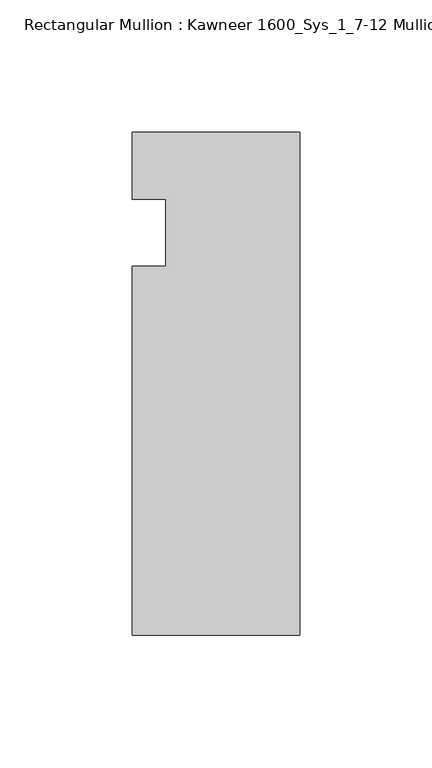
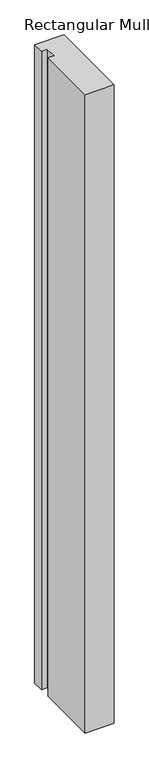
"""IFC4 building model written with IfcOpenShell, lengths in millimetres: member geometry, Rectangular Mullion : Kawneer 1600_Sys_1_7-12 Mullion_Sill."""

from ifc_helpers import new_model, si_unit, frame, origin, place, context, project, spatial, polyline, outline, extrude, source, transform, mapped, element, save


def rectangular_mullion_kawneer_1600_sys_1_7_12_mullion_sill_26cfcfc0(model_context):
    return source(origin(), model_context, "Body", "SweptSolid", [
        extrude(outline(polyline([(-63.5, -152.4), (-63.5, -12.7), (-50.7982296, -12.7), (-50.7982296, 12.7), (-63.5, 12.7), (-63.5, 38.1), (0.0, 38.1), (0.0, -152.4), (-63.5, -152.4)])), frame((0.0, 0.0, -1473.2), z_axis=(0.0, 0.0, 1.0), x_axis=(1.0, 0.0, 0.0)), (0.0, 0.0, 1.0), 1473.2),
    ])


if __name__ == "__main__":
    model = new_model("IFC4")
    model_context = context("Model", 3, world=origin())
    ifc_project = project(units=[si_unit("LENGTHUNIT", "METRE", prefix="MILLI")], contexts=[model_context])
    site = spatial("IfcSite", under=ifc_project)
    building = spatial("IfcBuilding", under=site)
    placement = place(None, origin())
    rectangular_mullion_kawneer_1600_sys_1_7_12_mullion_sill_shape = rectangular_mullion_kawneer_1600_sys_1_7_12_mullion_sill_26cfcfc0(model_context)
    element("IfcMember", 1, ObjectType="Rectangular Mullion : Kawneer 1600_Sys_1_7-12 Mullion_Sill", at=placement, inside=building, context=model_context, shape_type="MappedRepresentation", body=[
        mapped(rectangular_mullion_kawneer_1600_sys_1_7_12_mullion_sill_shape, transform((0.0, 0.0, 0.0), x_axis=(1.0, 0.0, 0.0), y_axis=(0.0, 1.0, 0.0), z_axis=(0.0, 0.0, 1.0))),
    ])
    save(model, "model.ifc")
